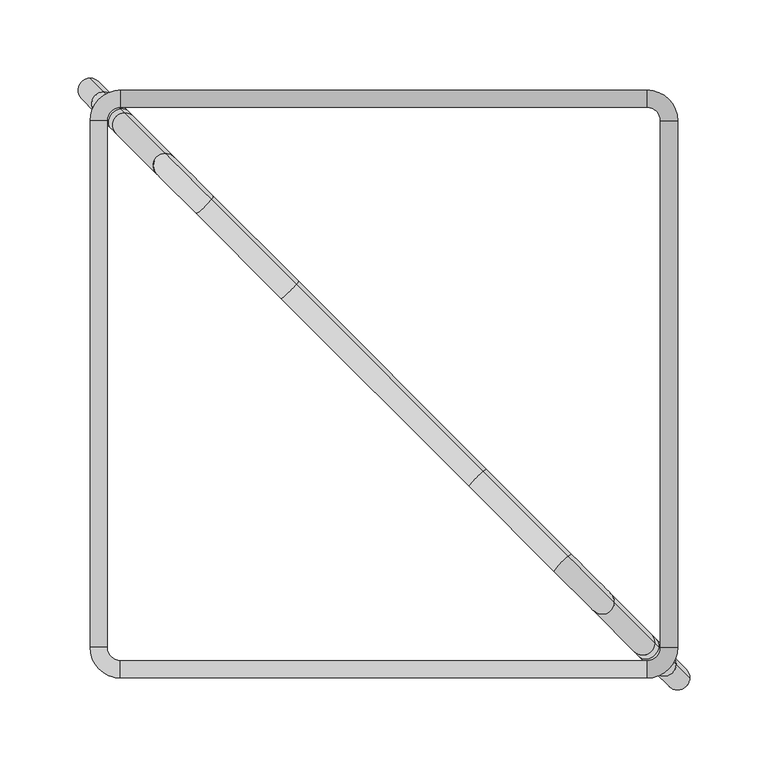
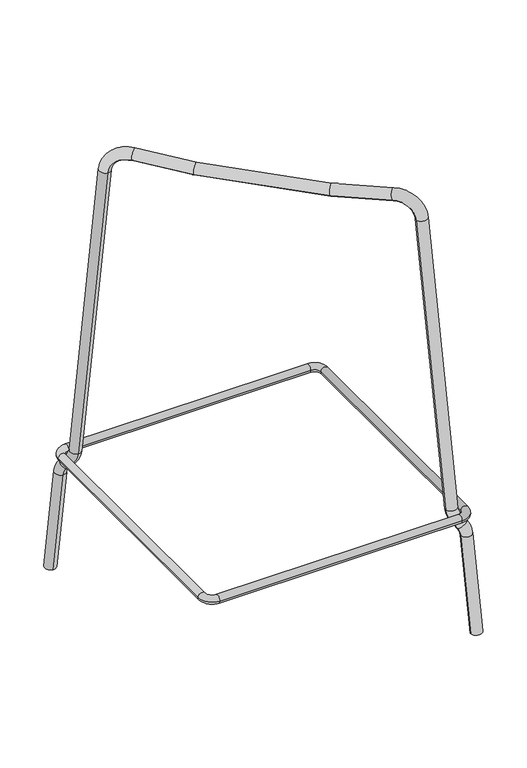
"""IFC4 building model written with IfcOpenShell, lengths in millimetres: furniture geometry."""

from ifc_helpers import new_model, si_unit, point, frame, origin, place, context, project, spatial, circle_curve, ellipse_curve, trimmed, source, transform, mapped, element, save
from ifc_brep_helpers import plane_surface, cylinder_surface, revolved_surface, advanced_brep


def furniture_f658c1b1(model_context):
    return source(origin(), model_context, "Body", "AdvancedBrep", [
        advanced_brep(
        [(180.5018441, -188.3105119, 12.5202691), (196.0600088, -188.2511957, 13.4790872), (171.7265727, -179.5352404, 154.3684516), (187.2847373, -179.4759242, 155.3272697), (182.5272054, -174.7183923, 171.2810629), (168.8238463, -176.6325141, 164.1023843), (162.7014115, -170.5100793, 174.1569975), (176.4047706, -168.5959575, 181.3356761), (173.7733543, -165.9645412, 190.1598046), (158.2151896, -166.0238573, 189.2009865), (132.2140855, -140.0227532, 609.4967432), (147.7722502, -139.9634371, 610.4555613), (118.2232397, -110.4144266, 644.1644332), (111.3917712, -119.200439, 633.2503889), (63.7871563, -55.9783432, 636.7846716), (56.485058, -64.2937257, 625.8068251), (-55.9782964, 63.7871095, 636.7846716), (-64.2936789, 56.4850111, 625.8068251), (-110.4143798, 118.2231929, 644.1644332), (-119.2003922, 111.3917244, 633.2503889), (-139.9633903, 147.7722034, 610.4555613), (-140.0227064, 132.2140387, 609.4967432), (-166.0238105, 158.2151428, 189.2009865), (-165.9644944, 173.7733075, 190.1598046), (-168.5959107, 176.4047238, 181.3356761), (-170.5100325, 162.7013647, 174.1569975), (-176.6324673, 168.8237995, 164.1023843), (-174.7183455, 182.5271586, 171.2810629), (-179.4758774, 187.2846905, 155.3272697), (-179.5351936, 171.7265258, 154.3684516), (-188.3104651, 180.5017973, 12.5202691), (-188.2511489, 196.059962, 13.4790872)],
        [
            (0, 1, circle_curve(frame((188.2809265, -188.2808538, 12.9996781), z_axis=(0.06162841671622165, -0.06162841671622218, -0.9961946980917452), x_axis=(0.9980991625349916, 0.0038052949942386596, 0.06151082406337189)), 7.7938973)),
            (1, 0, circle_curve(frame((188.2809265, -188.2808538, 12.9996781), z_axis=(0.06162841671622165, -0.06162841671622218, -0.9961946980917452), x_axis=(0.9980991625349916, 0.0038052949942386596, 0.06151082406337189)), 7.7938973)),
            (0, 2),
            (2, 3, circle_curve(frame((179.505655, -179.5055823, 154.8478606), z_axis=(0.06162841671622165, -0.06162841671622218, -0.9961946980917452), x_axis=(0.9980991625349916, 0.0038052949942386596, 0.06151082406337189)), 7.7938973)),
            (3, 1),
            (3, 2, circle_curve(frame((179.505655, -179.5055823, 154.8478606), z_axis=(0.06162841671622165, -0.06162841671622218, -0.9961946980917452), x_axis=(0.9980991625349916, 0.0038052949942386596, 0.06151082406337189)), 7.7938973)),
            (4, 3, circle_curve(frame((167.4076497, -159.5988366, 152.8679242), z_axis=(0.7071067811865491, 0.7071067811865459, 0.0), x_axis=(0.704416026402757, -0.7044160264027602, 0.08715574274765985)), 28.2178242)),
            (2, 5, circle_curve(frame((159.5989093, -167.4075771, 152.8679242), z_axis=(-0.7071067811865491, -0.7071067811865459, 0.0), x_axis=(0.704416026402757, -0.7044160264027602, 0.08715574274765985)), 17.2166204)),
            (5, 4, circle_curve(frame((175.6755259, -175.6754532, 167.6917236), z_axis=(0.46141244220019983, -0.46141244220020206, -0.7577579536802587), x_axis=(0.8791082698817524, 0.12279618764747857, 0.4605320250805121)), 7.7938973)),
            (4, 5, circle_curve(frame((175.6755259, -175.6754532, 167.6917236), z_axis=(0.46141244220019834, -0.46141244220020056, -0.7577579536802604), x_axis=(0.8791082698817534, 0.12279618764747763, 0.4605320250805106)), 7.7938973)),
            (5, 6),
            (6, 7, circle_curve(frame((169.5530911, -169.5530184, 177.7463368), z_axis=(0.46141244220019684, -0.46141244220019684, -0.7577579536802631), x_axis=(0.8791082698817543, 0.1227961876474766, 0.46053202508050906)), 7.7938973)),
            (7, 4),
            (7, 6, circle_curve(frame((169.5530911, -169.5530184, 177.7463368), z_axis=(0.46141244220019684, -0.46141244220019684, -0.7577579536802631), x_axis=(0.8791082698817543, 0.1227961876474766, 0.46053202508050906)), 7.7938973)),
            (8, 7, circle_curve(frame((184.7674779, -176.9586648, 191.5200817), z_axis=(-0.7071067811865491, -0.7071067811865459, 0.0), x_axis=(-0.5358157875453533, 0.5358157875453557, -0.6525357336072126)), 15.6074296)),
            (6, 9, circle_curve(frame((176.9587374, -184.7674052, 191.5200817), z_axis=(0.7071067811865491, 0.7071067811865459, 0.0), x_axis=(-0.5358157875453533, 0.5358157875453557, -0.6525357336072126)), 26.6086334)),
            (9, 8, circle_curve(frame((165.9942719, -165.9941993, 189.6803955), z_axis=(0.06162841671622435, -0.061628416716224904, -0.9961946980917451), x_axis=(0.9980991625349916, 0.0038052949942383174, 0.06151082406337455)), 7.7938973)),
            (8, 9, circle_curve(frame((165.9942719, -165.9941993, 189.6803955), z_axis=(0.06162841671622396, -0.061628416716224516, -0.9961946980917452), x_axis=(0.9980991625349918, 0.003805294994238262, 0.06151082406337416)), 7.7938973)),
            (9, 10),
            (10, 11, circle_curve(frame((139.9931678, -139.9930952, 609.9761522), z_axis=(0.061628416716223405, -0.06162841671622376, -0.996194698091745), x_axis=(0.9980991625349915, 0.003805294994238567, 0.06151082406337366)), 7.7938973)),
            (11, 8),
            (11, 10, circle_curve(frame((139.9931678, -139.9930952, 609.9761522), z_axis=(0.061628416716223405, -0.06162841671622376, -0.996194698091745), x_axis=(0.9980991625349915, 0.003805294994238567, 0.06151082406337366)), 7.7938973)),
            (12, 11, circle_curve(frame((121.5323292, -113.7235161, 607.2089574), z_axis=(0.7071067811865491, 0.7071067811865459, 0.0), x_axis=(0.7044160264027568, -0.70441602640276, 0.0871557427476625)), 37.2506019)),
            (10, 13, circle_curve(frame((113.7235888, -121.5322565, 607.2089574), z_axis=(-0.7071067811865491, -0.7071067811865459, 0.0), x_axis=(0.7044160264027568, -0.70441602640276, 0.0871557427476625)), 26.2493981)),
            (13, 12, circle_curve(frame((114.8075055, -114.8074328, 638.7074111), z_axis=(0.7015045727917347, -0.701504572791738, 0.12562909179233506), x_axis=(0.43825753876420526, 0.5636469187650277, 0.7001660379388818)), 7.7938973)),
            (12, 13, circle_curve(frame((114.8075055, -114.8074328, 638.7074111), z_axis=(0.7015045727917346, -0.7015045727917378, 0.12562909179233595), x_axis=(0.4382575387642048, 0.5636469187650281, 0.7001660379388815)), 7.7938973)),
            (14, 12, circle_curve(frame((5.1856663, 2.6231468, 1906.5531604), z_axis=(-0.7071067811865491, -0.7071067811865459, 0.0), x_axis=(0.08883318272066863, -0.08883318272066903, -0.9920772809088174)), 1272.4701507)),
            (13, 15, circle_curve(frame((-2.6230741, -5.1855936, 1906.5531604), z_axis=(0.7071067811865491, 0.7071067811865459, 0.0), x_axis=(0.08883318272066863, -0.08883318272066903, -0.9920772809088174)), 1283.4713545)),
            (15, 14, circle_curve(frame((60.1361071, -60.1360345, 631.2957484), z_axis=(0.7056054780353367, -0.7056054780353401, 0.06512924637245021), x_axis=(0.4684497418563234, 0.533454715672909, 0.7042591182803953)), 7.7938973)),
            (14, 15, circle_curve(frame((60.1361071, -60.1360345, 631.2957484), z_axis=(0.7056054780353367, -0.7056054780353401, 0.06512924637245023), x_axis=(0.4684497418563234, 0.533454715672909, 0.7042591182803953)), 7.7938973)),
            (16, 14, circle_curve(frame((3.90443, 3.9043831, 1934.3148013), z_axis=(-0.7071067811865491, -0.707106781186546, 0.0), x_axis=(0.04605333176352923, -0.04605333176352943, -0.9978768367223265)), 1300.2908595)),
            (15, 17, circle_curve(frame((-3.9043105, -3.9043573, 1934.3148013), z_axis=(0.7071067811865491, 0.707106781186546, 0.0), x_axis=(0.04605333176352923, -0.04605333176352943, -0.9978768367223265)), 1311.2920633)),
            (17, 16, circle_curve(frame((-60.1359876, 60.1360603, 631.2957484), z_axis=(0.7056054780353334, -0.7056054780353367, -0.0651292463725255), x_axis=(0.533454715672949, 0.46844974185628324, 0.704259118280392)), 7.7938973)),
            (16, 17, circle_curve(frame((-60.1359876, 60.1360603, 631.2957484), z_axis=(0.7056054780353334, -0.7056054780353367, -0.0651292463725255), x_axis=(0.533454715672949, 0.46844974185628324, 0.704259118280392)), 7.7938973)),
            (18, 16, circle_curve(frame((2.6231936, 5.1856195, 1906.5531604), z_axis=(-0.7071067811865501, -0.707106781186545, 0.0), x_axis=(-0.04605333176358157, 0.0460533317635819, -0.9978768367223216)), 1272.4701507)),
            (17, 19, circle_curve(frame((-5.1855468, -2.623121, 1906.5531604), z_axis=(0.7071067811865501, 0.707106781186545, 0.0), x_axis=(-0.04605333176358157, 0.0460533317635819, -0.9978768367223216)), 1283.4713545)),
            (19, 18, circle_curve(frame((-114.807386, 114.8074586, 638.7074111), z_axis=(0.7015045727917338, -0.7015045727917392, -0.1256290917923352), x_axis=(0.5636469187650305, 0.43825753876420187, 0.7001660379388814)), 7.7938973)),
            (18, 19, circle_curve(frame((-114.807386, 114.8074586, 638.7074111), z_axis=(0.7015045727917342, -0.7015045727917395, -0.12562909179233284), x_axis=(0.5636469187650294, 0.43825753876420304, 0.7001660379388818)), 7.7938973)),
            (20, 18, circle_curve(frame((-113.7234693, 121.5322824, 607.2089574), z_axis=(0.7071067811865501, 0.707106781186545, 0.0), x_axis=(0.08883318272085777, -0.08883318272085841, 0.9920772809087834)), 37.2506019)),
            (19, 21, circle_curve(frame((-121.5322097, 113.723542, 607.2089574), z_axis=(-0.7071067811865501, -0.707106781186545, 0.0), x_axis=(0.08883318272085777, -0.08883318272085841, 0.9920772809087834)), 26.2493981)),
            (21, 20, circle_curve(frame((-139.9930484, 139.993121, 609.9761522), z_axis=(0.061628416716233834, -0.06162841671623474, 0.9961946980917439), x_axis=(0.0038052949942453673, 0.9980991625349911, 0.061510824063384574)), 7.7938973)),
            (20, 21, circle_curve(frame((-139.9930484, 139.993121, 609.9761522), z_axis=(0.06162841671623289, -0.061628416716233786, 0.996194698091744), x_axis=(0.0038052949942453673, 0.9980991625349911, 0.06151082406338362)), 7.7938973)),
            (21, 22),
            (22, 23, circle_curve(frame((-165.9941524, 165.9942251, 189.6803955), z_axis=(0.06162841671622576, -0.06162841671622664, 0.9961946980917448), x_axis=(0.0038052949942446457, 0.9980991625349914, 0.06151082406337652)), 7.7938973)),
            (23, 20),
            (23, 22, circle_curve(frame((-165.9941524, 165.9942251, 189.6803955), z_axis=(0.06162841671622576, -0.06162841671622664, 0.9961946980917448), x_axis=(0.0038052949942446457, 0.9980991625349914, 0.06151082406337652)), 7.7938973)),
            (24, 23, circle_curve(frame((-176.9586179, 184.767431, 191.5200817), z_axis=(-0.7071067811865501, -0.707106781186545, 0.0), x_axis=(0.7044160264027559, -0.704416026402761, -0.08715574274766205)), 15.6074296)),
            (22, 25, circle_curve(frame((-184.7673584, 176.9586906, 191.5200817), z_axis=(0.7071067811865501, 0.707106781186545, 0.0), x_axis=(0.7044160264027559, -0.704416026402761, -0.08715574274766205)), 26.6086334)),
            (25, 24, circle_curve(frame((-169.5529716, 169.5530443, 177.7463368), z_axis=(0.461412442200196, -0.46141244220019983, 0.7577579536802622), x_axis=(0.12279618764748201, 0.8791082698817534, 0.4605320250805094)), 7.7938973)),
            (24, 25, circle_curve(frame((-169.5529716, 169.5530443, 177.7463368), z_axis=(0.46141244220019717, -0.46141244220020095, 0.7577579536802611), x_axis=(0.12279618764748262, 0.8791082698817528, 0.46053202508051055)), 7.7938973)),
            (25, 26),
            (26, 27, circle_curve(frame((-175.6754064, 175.6754791, 167.6917236), z_axis=(0.461412442200196, -0.4614124422002019, 0.7577579536802608), x_axis=(0.12279618764748311, 0.8791082698817522, 0.4605320250805112)), 7.7938973)),
            (27, 24),
            (27, 26, circle_curve(frame((-175.6754064, 175.6754791, 167.6917236), z_axis=(0.461412442200196, -0.4614124422002019, 0.7577579536802608), x_axis=(0.12279618764748311, 0.8791082698817522, 0.4605320250805112)), 7.7938973)),
            (28, 27, circle_curve(frame((-159.5987898, 167.4076029, 152.8679242), z_axis=(0.7071067811865501, 0.707106781186545, 0.0), x_axis=(-0.5358157875453494, 0.5358157875453533, 0.6525357336072178)), 28.2178242)),
            (26, 29, circle_curve(frame((-167.4075303, 159.5988625, 152.8679242), z_axis=(-0.7071067811865501, -0.707106781186545, 0.0), x_axis=(-0.5358157875453494, 0.5358157875453533, 0.6525357336072178)), 17.2166204)),
            (29, 28, circle_curve(frame((-179.5055355, 179.5056082, 154.8478606), z_axis=(0.06162841671622821, -0.06162841671622893, 0.9961946980917444), x_axis=(0.0038052949942447567, 0.9980991625349913, 0.061510824063378766)), 7.7938973)),
            (28, 29, circle_curve(frame((-179.5055355, 179.5056082, 154.8478606), z_axis=(0.06162841671622715, -0.06162841671622793, 0.9961946980917445), x_axis=(0.0038052949942447567, 0.9980991625349913, 0.06151082406337771)), 7.7938973)),
            (30, 31, circle_curve(frame((-188.280807, 188.2808796, 12.9996781), z_axis=(-0.061628416716224134, 0.06162841671622483, -0.996194698091745), x_axis=(0.0038052949942447836, 0.9980991625349916, 0.0615108240633747)), 7.7938973)),
            (31, 30, circle_curve(frame((-188.280807, 188.2808796, 12.9996781), z_axis=(-0.061628416716224134, 0.06162841671622483, -0.996194698091745), x_axis=(0.0038052949942447836, 0.9980991625349916, 0.0615108240633747)), 7.7938973)),
            (29, 30),
            (31, 28),
        ],
        [
            plane_surface(frame((188.2809265, -188.2808538, 12.9996781), z_axis=(0.06162841671622166, -0.061628416716222184, -0.9961946980917453), x_axis=(0.707106781186549, 0.707106781186546, 0.0))),
            cylinder_surface(frame((188.2809265, -188.2808538, 12.9996781), z_axis=(0.06162841671622165, -0.06162841671622218, -0.9961946980917452), x_axis=(0.9980991625349916, 0.0038052949942386596, 0.06151082406337189)), 7.7938973),
            revolved_surface(trimmed(ellipse_curve(frame((179.505655, -179.5055823, 154.8478606), z_axis=(0.061628416716220345, -0.0616284167162207, -0.9961946980917457), x_axis=(0.998099162534992, 0.0038052949942385395, 0.06151082406337058)), 7.7938973, 7.7938973), [point((171.7265727, -179.5352404, 154.3684516))], [point((187.2847373, -179.4759242, 155.3272697))], True, "CARTESIAN"), (163.5032795, -163.5032069, 152.8679242), (-0.7071067811865491, -0.7071067811865459, 0.0)),
            revolved_surface(trimmed(ellipse_curve(frame((179.505655, -179.5055823, 154.8478606), z_axis=(0.061628416716220345, -0.0616284167162207, -0.9961946980917457), x_axis=(0.998099162534992, 0.0038052949942385395, 0.06151082406337058)), 7.7938973, 7.7938973), [point((187.2847373, -179.4759242, 155.3272697))], [point((171.7265727, -179.5352404, 154.3684516))], True, "CARTESIAN"), (163.5032795, -163.5032069, 152.8679242), (-0.7071067811865491, -0.7071067811865459, 0.0)),
            cylinder_surface(frame((175.6755259, -175.6754532, 167.6917236), z_axis=(0.46141244220019695, -0.46141244220019695, -0.7577579536802633), x_axis=(0.8791082698817543, 0.1227961876474766, 0.46053202508050906)), 7.7938973),
            revolved_surface(trimmed(ellipse_curve(frame((169.5530911, -169.5530184, 177.7463368), z_axis=(0.4614124422001973, -0.4614124422001997, -0.7577579536802617), x_axis=(0.879108269881754, 0.12279618764747663, 0.46053202508050983)), 7.7938973, 7.7938973), [point((162.7014115, -170.5100793, 174.1569975))], [point((176.4047706, -168.5959575, 181.3356761))], True, "CARTESIAN"), (180.8631076, -180.863035, 191.5200817), (0.7071067811865491, 0.7071067811865459, 0.0)),
            revolved_surface(trimmed(ellipse_curve(frame((169.5530911, -169.5530184, 177.7463368), z_axis=(0.4614124422001973, -0.4614124422001997, -0.7577579536802617), x_axis=(0.879108269881754, 0.12279618764747663, 0.46053202508050983)), 7.7938973, 7.7938973), [point((176.4047706, -168.5959575, 181.3356761))], [point((162.7014115, -170.5100793, 174.1569975))], True, "CARTESIAN"), (180.8631076, -180.863035, 191.5200817), (0.7071067811865491, 0.7071067811865459, 0.0)),
            cylinder_surface(frame((165.9942719, -165.9941993, 189.6803955), z_axis=(0.061628416716223405, -0.06162841671622376, -0.996194698091745), x_axis=(0.9980991625349915, 0.003805294994238567, 0.06151082406337366)), 7.7938973),
            revolved_surface(trimmed(ellipse_curve(frame((139.9931678, -139.9930952, 609.9761522), z_axis=(0.06162841671622211, -0.06162841671622246, -0.9961946980917451), x_axis=(0.9980991625349918, 0.003805294994238706, 0.061510824063372355)), 7.7938973, 7.7938973), [point((132.2140855, -140.0227532, 609.4967432))], [point((147.7722502, -139.9634371, 610.4555613))], True, "CARTESIAN"), (117.627959, -117.6278863, 607.2089574), (-0.7071067811865491, -0.7071067811865459, 0.0)),
            revolved_surface(trimmed(ellipse_curve(frame((139.9931678, -139.9930952, 609.9761522), z_axis=(0.06162841671622211, -0.06162841671622246, -0.9961946980917451), x_axis=(0.9980991625349918, 0.003805294994238706, 0.061510824063372355)), 7.7938973, 7.7938973), [point((147.7722502, -139.9634371, 610.4555613))], [point((132.2140855, -140.0227532, 609.4967432))], True, "CARTESIAN"), (117.627959, -117.6278863, 607.2089574), (-0.7071067811865491, -0.7071067811865459, 0.0)),
            revolved_surface(trimmed(ellipse_curve(frame((114.8075055, -114.8074328, 638.7074111), z_axis=(0.7015045727917345, -0.701504572791738, 0.1256290917923367), x_axis=(0.4382575387642043, 0.5636469187650283, 0.7001660379388819)), 7.7938973, 7.7938973), [point((111.3917712, -119.200439, 633.2503889))], [point((118.2232397, -110.4144266, 644.1644332))], True, "CARTESIAN"), (1.2812961, -1.2812234, 1906.5531604), (0.7071067811865491, 0.7071067811865459, 0.0)),
            revolved_surface(trimmed(ellipse_curve(frame((114.8075055, -114.8074328, 638.7074111), z_axis=(0.7015045727917345, -0.701504572791738, 0.1256290917923367), x_axis=(0.4382575387642043, 0.5636469187650283, 0.7001660379388819)), 7.7938973, 7.7938973), [point((118.2232397, -110.4144266, 644.1644332))], [point((111.3917712, -119.200439, 633.2503889))], True, "CARTESIAN"), (1.2812961, -1.2812234, 1906.5531604), (0.7071067811865491, 0.7071067811865459, 0.0)),
            revolved_surface(trimmed(ellipse_curve(frame((60.1361071, -60.1360345, 631.2957484), z_axis=(0.7056054780353368, -0.7056054780353401, 0.06512924637245043), x_axis=(0.4684497418563232, 0.5334547156729094, 0.7042591182803954)), 7.7938973, 7.7938973), [point((56.485058, -64.2937257, 625.8068251))], [point((63.7871563, -55.9783432, 636.7846716))], True, "CARTESIAN"), (5.97e-05, 1.29e-05, 1934.3148013), (0.7071067811865491, 0.707106781186546, 0.0)),
            revolved_surface(trimmed(ellipse_curve(frame((60.1361071, -60.1360345, 631.2957484), z_axis=(0.7056054780353368, -0.7056054780353401, 0.06512924637245043), x_axis=(0.4684497418563232, 0.5334547156729094, 0.7042591182803954)), 7.7938973, 7.7938973), [point((63.7871563, -55.9783432, 636.7846716))], [point((56.485058, -64.2937257, 625.8068251))], True, "CARTESIAN"), (5.97e-05, 1.29e-05, 1934.3148013), (0.7071067811865491, 0.707106781186546, 0.0)),
            revolved_surface(trimmed(ellipse_curve(frame((-60.1359876, 60.1360603, 631.2957484), z_axis=(0.7056054780353324, -0.7056054780353377, -0.06512924637252515), x_axis=(0.5334547156729497, 0.46844974185628296, 0.7042591182803916)), 7.7938973, 7.7938973), [point((-64.2936789, 56.4850111, 625.8068251))], [point((-55.9782964, 63.7871095, 636.7846716))], True, "CARTESIAN"), (-1.2811766, 1.2812493, 1906.5531604), (0.7071067811865501, 0.707106781186545, 0.0)),
            revolved_surface(trimmed(ellipse_curve(frame((-60.1359876, 60.1360603, 631.2957484), z_axis=(0.7056054780353324, -0.7056054780353377, -0.06512924637252515), x_axis=(0.5334547156729497, 0.46844974185628296, 0.7042591182803916)), 7.7938973, 7.7938973), [point((-55.9782964, 63.7871095, 636.7846716))], [point((-64.2936789, 56.4850111, 625.8068251))], True, "CARTESIAN"), (-1.2811766, 1.2812493, 1906.5531604), (0.7071067811865501, 0.707106781186545, 0.0)),
            revolved_surface(trimmed(ellipse_curve(frame((-114.807386, 114.8074586, 638.7074111), z_axis=(0.7015045727917095, -0.7015045727917151, -0.12562909179260506), x_axis=(0.5636469187651653, 0.4382575387640671, 0.7001660379388576)), 7.7938973, 7.7938973), [point((-119.2003922, 111.3917244, 633.2503889))], [point((-110.4143798, 118.2231929, 644.1644332))], True, "CARTESIAN"), (-117.6278395, 117.6279122, 607.2089574), (-0.7071067811865501, -0.707106781186545, 0.0)),
            revolved_surface(trimmed(ellipse_curve(frame((-114.807386, 114.8074586, 638.7074111), z_axis=(0.7015045727917095, -0.7015045727917151, -0.12562909179260506), x_axis=(0.5636469187651653, 0.4382575387640671, 0.7001660379388576)), 7.7938973, 7.7938973), [point((-110.4143798, 118.2231929, 644.1644332))], [point((-119.2003922, 111.3917244, 633.2503889))], True, "CARTESIAN"), (-117.6278395, 117.6279122, 607.2089574), (-0.7071067811865501, -0.707106781186545, 0.0)),
            cylinder_surface(frame((-139.9930484, 139.993121, 609.9761522), z_axis=(0.06162841671622576, -0.06162841671622664, 0.9961946980917448), x_axis=(0.0038052949942446457, 0.9980991625349914, 0.06151082406337652)), 7.7938973),
            revolved_surface(trimmed(ellipse_curve(frame((-165.9941524, 165.9942251, 189.6803955), z_axis=(0.06162841671622189, -0.06162841671622277, 0.9961946980917455), x_axis=(0.0038052949942445347, 0.9980991625349918, 0.06151082406337264)), 7.7938973, 7.7938973), [point((-166.0238105, 158.2151428, 189.2009865))], [point((-165.9644944, 173.7733075, 190.1598046))], True, "CARTESIAN"), (-180.8629882, 180.8630608, 191.5200817), (0.7071067811865501, 0.707106781186545, 0.0)),
            revolved_surface(trimmed(ellipse_curve(frame((-165.9941524, 165.9942251, 189.6803955), z_axis=(0.06162841671622189, -0.06162841671622277, 0.9961946980917455), x_axis=(0.0038052949942445347, 0.9980991625349918, 0.06151082406337264)), 7.7938973, 7.7938973), [point((-165.9644944, 173.7733075, 190.1598046))], [point((-166.0238105, 158.2151428, 189.2009865))], True, "CARTESIAN"), (-180.8629882, 180.8630608, 191.5200817), (0.7071067811865501, 0.707106781186545, 0.0)),
            cylinder_surface(frame((-169.5529716, 169.5530443, 177.7463368), z_axis=(0.461412442200196, -0.4614124422002019, 0.7577579536802608), x_axis=(0.12279618764748311, 0.8791082698817522, 0.4605320250805112)), 7.7938973),
            revolved_surface(trimmed(ellipse_curve(frame((-175.6754064, 175.6754791, 167.6917236), z_axis=(0.46141244220020067, -0.46141244220020433, 0.7577579536802566), x_axis=(0.12279618764748468, 0.8791082698817505, 0.46053202508051394)), 7.7938973, 7.7938973), [point((-176.6324673, 168.8237995, 164.1023843))], [point((-174.7183455, 182.5271586, 171.2810629))], True, "CARTESIAN"), (-163.50316, 163.5032327, 152.8679242), (-0.7071067811865501, -0.707106781186545, 0.0)),
            revolved_surface(trimmed(ellipse_curve(frame((-175.6754064, 175.6754791, 167.6917236), z_axis=(0.46141244220020067, -0.46141244220020433, 0.7577579536802566), x_axis=(0.12279618764748468, 0.8791082698817505, 0.46053202508051394)), 7.7938973, 7.7938973), [point((-174.7183455, 182.5271586, 171.2810629))], [point((-176.6324673, 168.8237995, 164.1023843))], True, "CARTESIAN"), (-163.50316, 163.5032327, 152.8679242), (-0.7071067811865501, -0.707106781186545, 0.0)),
            plane_surface(frame((-188.280807, 188.2808796, 12.9996781), z_axis=(-0.06162841671622395, 0.06162841671622459, -0.9961946980917451), x_axis=(0.7071067811865502, 0.7071067811865449, 0.0))),
            cylinder_surface(frame((-179.5055355, 179.5056082, 154.8478606), z_axis=(0.06162841671622415, -0.06162841671622484, 0.9961946980917452), x_axis=(0.0038052949942447836, 0.9980991625349916, 0.0615108240633747)), 7.7938973),
        ],
        [
            (0, [[1, 2]]),
            (1, [[-1, 3, 4, 5]]),
            (1, [[-2, -5, 6, -3]]),
            (2, [[7, -4, 8, 9]]),
            (3, [[-8, -6, -7, 10]]),
            (4, [[-9, 11, 12, 13]]),
            (4, [[-10, -13, 14, -11]]),
            (5, [[15, -12, 16, 17]]),
            (6, [[-16, -14, -15, 18]]),
            (7, [[-17, 19, 20, 21]]),
            (7, [[-18, -21, 22, -19]]),
            (8, [[23, -20, 24, 25]]),
            (9, [[-24, -22, -23, 26]]),
            (10, [[27, -25, 28, 29]]),
            (11, [[-28, -26, -27, 30]]),
            (12, [[31, -29, 32, 33]]),
            (13, [[-32, -30, -31, 34]]),
            (14, [[35, -33, 36, 37]]),
            (15, [[-36, -34, -35, 38]]),
            (16, [[39, -37, 40, 41]]),
            (17, [[-40, -38, -39, 42]]),
            (18, [[-41, 43, 44, 45]]),
            (18, [[-42, -45, 46, -43]]),
            (19, [[47, -44, 48, 49]]),
            (20, [[-48, -46, -47, 50]]),
            (21, [[-49, 51, 52, 53]]),
            (21, [[-50, -53, 54, -51]]),
            (22, [[55, -52, 56, 57]]),
            (23, [[-56, -54, -55, 58]]),
            (24, [[59, 60]]),
            (25, [[-57, 61, -60, 62]]),
            (25, [[-58, -62, -59, -61]]),
        ],
    ),
        advanced_brep(
        [(177.2865148, 168.8164992, 182.9997311), (168.8164992, 177.2865148, 182.9997311), (168.8164992, 188.2864836, 182.9997311), (188.2864836, 168.8164992, 182.9997311), (188.2864836, -168.8164992, 182.9997311), (177.2865148, -168.8164992, 182.9997311), (168.8164992, -177.2865148, 182.9997311), (168.8164992, -188.2864836, 182.9997311), (-168.8164992, -188.2864836, 182.9997311), (-168.8164992, -177.2865148, 182.9997311), (-177.2865148, -168.8164992, 182.9997311), (-188.2864836, -168.8164992, 182.9997311), (-188.2864836, 168.8164992, 182.9997311), (-177.2865148, 168.8164992, 182.9997311), (-168.8164992, 177.2865148, 182.9997311), (-168.8164992, 188.2864836, 182.9997311)],
        [
            (0, 1, circle_curve(frame((168.8164992, 168.8164992, 182.9997311), z_axis=(0.0, 0.0, 1.0), x_axis=(0.0, 1.0, 0.0)), 8.4700156)),
            (1, 2, circle_curve(frame((168.8164992, 182.7864992, 182.9997311), z_axis=(1.0, 0.0, 0.0), x_axis=(0.0, -1.0, 0.0)), 5.4999844)),
            (2, 3, circle_curve(frame((168.8164992, 168.8164992, 182.9997311), z_axis=(0.0, 0.0, -1.0), x_axis=(0.0, 1.0, 0.0)), 19.4699844)),
            (3, 0, circle_curve(frame((182.7864992, 168.8164992, 182.9997311), z_axis=(0.0, 1.0, 0.0), x_axis=(-1.0, 0.0, 0.0)), 5.4999844)),
            (2, 1, circle_curve(frame((168.8164992, 182.7864992, 182.9997311), z_axis=(1.0, 0.0, 0.0), x_axis=(0.0, -1.0, 0.0)), 5.4999844)),
            (0, 3, circle_curve(frame((182.7864992, 168.8164992, 182.9997311), z_axis=(0.0, 1.0, 0.0), x_axis=(-1.0, 0.0, 0.0)), 5.4999844)),
            (3, 4),
            (4, 5, circle_curve(frame((182.7864992, -168.8164992, 182.9997311), z_axis=(0.0, 1.0, 0.0), x_axis=(-1.0, 0.0, 0.0)), 5.4999844)),
            (5, 0),
            (5, 4, circle_curve(frame((182.7864992, -168.8164992, 182.9997311), z_axis=(0.0, 1.0, 0.0), x_axis=(-1.0, 0.0, 0.0)), 5.4999844)),
            (6, 5, circle_curve(frame((168.8164992, -168.8164992, 182.9997311), z_axis=(0.0, 0.0, 1.0), x_axis=(1.0, 0.0, 0.0)), 8.4700156)),
            (4, 7, circle_curve(frame((168.8164992, -168.8164992, 182.9997311), z_axis=(0.0, 0.0, -1.0), x_axis=(1.0, 0.0, 0.0)), 19.4699844)),
            (7, 6, circle_curve(frame((168.8164992, -182.7864992, 182.9997311), z_axis=(1.0, 0.0, 0.0), x_axis=(0.0, 1.0, 0.0)), 5.4999844)),
            (6, 7, circle_curve(frame((168.8164992, -182.7864992, 182.9997311), z_axis=(1.0, 0.0, 0.0), x_axis=(0.0, 1.0, 0.0)), 5.4999844)),
            (7, 8),
            (8, 9, circle_curve(frame((-168.8164992, -182.7864992, 182.9997311), z_axis=(1.0, 0.0, 0.0), x_axis=(0.0, 1.0, 0.0)), 5.4999844)),
            (9, 6),
            (9, 8, circle_curve(frame((-168.8164992, -182.7864992, 182.9997311), z_axis=(1.0, 0.0, 0.0), x_axis=(0.0, 1.0, 0.0)), 5.4999844)),
            (10, 9, circle_curve(frame((-168.8164992, -168.8164992, 182.9997311), z_axis=(0.0, 0.0, 1.0), x_axis=(0.0, -1.0, 0.0)), 8.4700156)),
            (8, 11, circle_curve(frame((-168.8164992, -168.8164992, 182.9997311), z_axis=(0.0, 0.0, -1.0), x_axis=(0.0, -1.0, 0.0)), 19.4699844)),
            (11, 10, circle_curve(frame((-182.7864992, -168.8164992, 182.9997311), z_axis=(0.0, -1.0, 0.0), x_axis=(1.0, 0.0, 0.0)), 5.4999844)),
            (10, 11, circle_curve(frame((-182.7864992, -168.8164992, 182.9997311), z_axis=(0.0, -1.0, 0.0), x_axis=(1.0, 0.0, 0.0)), 5.4999844)),
            (11, 12),
            (12, 13, circle_curve(frame((-182.7864992, 168.8164992, 182.9997311), z_axis=(0.0, -1.0, 0.0), x_axis=(1.0, 0.0, 0.0)), 5.4999844)),
            (13, 10),
            (13, 12, circle_curve(frame((-182.7864992, 168.8164992, 182.9997311), z_axis=(0.0, -1.0, 0.0), x_axis=(1.0, 0.0, 0.0)), 5.4999844)),
            (14, 13, circle_curve(frame((-168.8164992, 168.8164992, 182.9997311), z_axis=(0.0, 0.0, 1.0), x_axis=(-1.0, 0.0, 0.0)), 8.4700156)),
            (12, 15, circle_curve(frame((-168.8164992, 168.8164992, 182.9997311), z_axis=(0.0, 0.0, -1.0), x_axis=(-1.0, 0.0, 0.0)), 19.4699844)),
            (15, 14, circle_curve(frame((-168.8164992, 182.7864992, 182.9997311), z_axis=(-1.0, 0.0, 0.0), x_axis=(0.0, -1.0, 0.0)), 5.4999844)),
            (14, 15, circle_curve(frame((-168.8164992, 182.7864992, 182.9997311), z_axis=(-1.0, 0.0, 0.0), x_axis=(0.0, -1.0, 0.0)), 5.4999844)),
            (15, 2),
            (1, 14),
        ],
        [
            revolved_surface(trimmed(ellipse_curve(frame((168.8164992, 182.7864992, 182.9997311), z_axis=(-1.0, 0.0, 0.0), x_axis=(0.0, -1.0, 0.0)), 5.4999844, 5.4999844), [point((168.8164992, 188.2864836, 182.9997311))], [point((168.8164992, 177.2865148, 182.9997311))], True, "CARTESIAN"), (168.8164992, 168.8164992, 182.9997311), (0.0, 0.0, -1.0)),
            revolved_surface(trimmed(ellipse_curve(frame((168.8164992, 182.7864992, 182.9997311), z_axis=(-1.0, 0.0, 0.0), x_axis=(0.0, -1.0, 0.0)), 5.4999844, 5.4999844), [point((168.8164992, 177.2865148, 182.9997311))], [point((168.8164992, 188.2864836, 182.9997311))], True, "CARTESIAN"), (168.8164992, 168.8164992, 182.9997311), (0.0, 0.0, -1.0)),
            cylinder_surface(frame((182.7864992, 168.8164992, 182.9997311), z_axis=(0.0, 1.0, 0.0), x_axis=(-1.0, 0.0, 0.0)), 5.4999844),
            revolved_surface(trimmed(ellipse_curve(frame((182.7864992, -168.8164992, 182.9997311), z_axis=(0.0, 1.0, 0.0), x_axis=(-1.0, 0.0, 0.0)), 5.4999844, 5.4999844), [point((188.2864836, -168.8164992, 182.9997311))], [point((177.2865148, -168.8164992, 182.9997311))], True, "CARTESIAN"), (168.8164992, -168.8164992, 182.9997311), (0.0, 0.0, -1.0)),
            revolved_surface(trimmed(ellipse_curve(frame((182.7864992, -168.8164992, 182.9997311), z_axis=(0.0, 1.0, 0.0), x_axis=(-1.0, 0.0, 0.0)), 5.4999844, 5.4999844), [point((177.2865148, -168.8164992, 182.9997311))], [point((188.2864836, -168.8164992, 182.9997311))], True, "CARTESIAN"), (168.8164992, -168.8164992, 182.9997311), (0.0, 0.0, -1.0)),
            cylinder_surface(frame((168.8164992, -182.7864992, 182.9997311), z_axis=(1.0, 0.0, 0.0), x_axis=(0.0, 1.0, 0.0)), 5.4999844),
            revolved_surface(trimmed(ellipse_curve(frame((-168.8164992, -182.7864992, 182.9997311), z_axis=(1.0, 0.0, 0.0), x_axis=(0.0, 1.0, 0.0)), 5.4999844, 5.4999844), [point((-168.8164992, -188.2864836, 182.9997311))], [point((-168.8164992, -177.2865148, 182.9997311))], True, "CARTESIAN"), (-168.8164992, -168.8164992, 182.9997311), (0.0, 0.0, -1.0)),
            revolved_surface(trimmed(ellipse_curve(frame((-168.8164992, -182.7864992, 182.9997311), z_axis=(1.0, 0.0, 0.0), x_axis=(0.0, 1.0, 0.0)), 5.4999844, 5.4999844), [point((-168.8164992, -177.2865148, 182.9997311))], [point((-168.8164992, -188.2864836, 182.9997311))], True, "CARTESIAN"), (-168.8164992, -168.8164992, 182.9997311), (0.0, 0.0, -1.0)),
            cylinder_surface(frame((-182.7864992, -168.8164992, 182.9997311), z_axis=(0.0, -1.0, 0.0), x_axis=(1.0, 0.0, 0.0)), 5.4999844),
            revolved_surface(trimmed(ellipse_curve(frame((-182.7864992, 168.8164992, 182.9997311), z_axis=(0.0, -1.0, 0.0), x_axis=(1.0, 0.0, 0.0)), 5.4999844, 5.4999844), [point((-188.2864836, 168.8164992, 182.9997311))], [point((-177.2865148, 168.8164992, 182.9997311))], True, "CARTESIAN"), (-168.8164992, 168.8164992, 182.9997311), (0.0, 0.0, -1.0)),
            revolved_surface(trimmed(ellipse_curve(frame((-182.7864992, 168.8164992, 182.9997311), z_axis=(0.0, -1.0, 0.0), x_axis=(1.0, 0.0, 0.0)), 5.4999844, 5.4999844), [point((-177.2865148, 168.8164992, 182.9997311))], [point((-188.2864836, 168.8164992, 182.9997311))], True, "CARTESIAN"), (-168.8164992, 168.8164992, 182.9997311), (0.0, 0.0, -1.0)),
            cylinder_surface(frame((-168.8164992, 182.7864992, 182.9997311), z_axis=(-1.0, 0.0, 0.0), x_axis=(0.0, -1.0, 0.0)), 5.4999844),
        ],
        [
            (0, [[1, 2, 3, 4]]),
            (1, [[-3, 5, -1, 6]]),
            (2, [[-4, 7, 8, 9]]),
            (2, [[-6, -9, 10, -7]]),
            (3, [[11, -8, 12, 13]]),
            (4, [[-12, -10, -11, 14]]),
            (5, [[-13, 15, 16, 17]]),
            (5, [[-14, -17, 18, -15]]),
            (6, [[19, -16, 20, 21]]),
            (7, [[-20, -18, -19, 22]]),
            (8, [[-21, 23, 24, 25]]),
            (8, [[-22, -25, 26, -23]]),
            (9, [[27, -24, 28, 29]]),
            (10, [[-28, -26, -27, 30]]),
            (11, [[-29, 31, -2, 32]]),
            (11, [[-30, -32, -5, -31]]),
        ],
    ),
    ])


if __name__ == "__main__":
    model = new_model("IFC4")
    model_context = context("Model", 3, world=origin())
    ifc_project = project(units=[si_unit("LENGTHUNIT", "METRE", prefix="MILLI")], contexts=[model_context])
    site = spatial("IfcSite", under=ifc_project)
    building = spatial("IfcBuilding", under=site)
    placement = place(None, origin())
    furniture_shape = furniture_f658c1b1(model_context)
    element("IfcFurniture", 1, at=placement, inside=building, context=model_context, shape_type="MappedRepresentation", body=[
        mapped(furniture_shape, transform((0.0, 0.0, 0.0), x_axis=(1.0, 0.0, 0.0), y_axis=(0.0, 1.0, 0.0), z_axis=(0.0, 0.0, 1.0))),
    ])
    save(model, "model.ifc")
